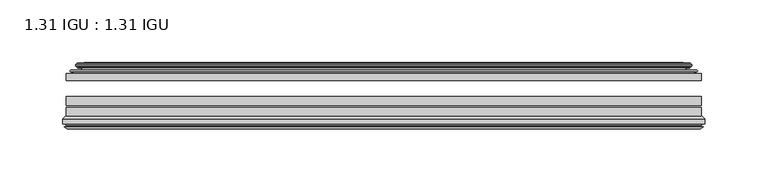
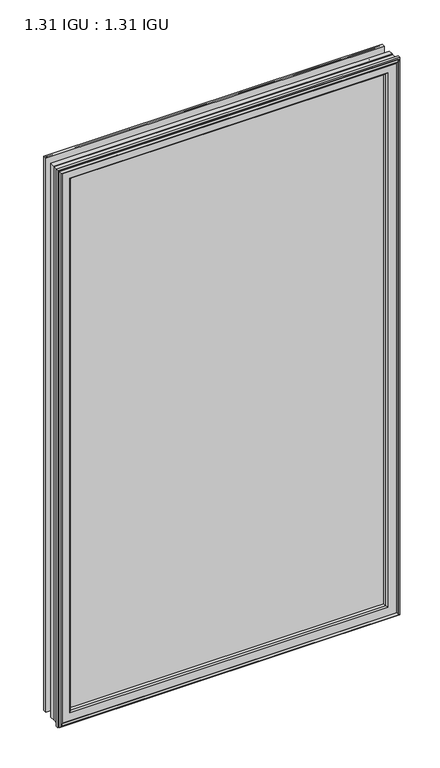
"""IFC4 building model written with IfcOpenShell, lengths in millimetres: plate geometry, 1.31 IGU : 1.31 IGU."""

from ifc_helpers import new_model, si_unit, frame, origin, place, context, project, spatial, polyline, ellipse_curve, outline, extrude, source, transform, mapped, element, save
from ifc_brep_helpers import plane_surface, cylinder_surface, revolved_surface, advanced_brep


def plate_1_31_igu_1_31_igu_6ba28607(model_context):
    return source(origin(), model_context, "Body", "SolidModel", [
        extrude(outline(polyline([(252.4081075, -44.8960875), (252.4081075, -50.4332875), (-252.4130426, -50.4332875), (-252.4130426, -44.8960875), (252.4081075, -44.8960875)])), frame((0.0, 0.0, -14.2875), z_axis=(0.0, 0.0, 1.0), x_axis=(1.0, 0.0, 0.0)), (0.0, 0.0, 1.0), 873.125),
        extrude(outline(polyline([(-252.4130426, -78.7796875), (-252.4130426, -71.7692875), (252.4081075, -71.7692875), (252.4081075, -78.7796875), (-252.4130426, -78.7796875)])), frame((0.0, 0.0, -14.2875), z_axis=(0.0, 0.0, 1.0), x_axis=(1.0, 0.0, 0.0)), (0.0, 0.0, 1.0), 873.125),
        extrude(outline(polyline([(-252.4130426, -70.2452875), (-252.4130426, -63.1332875), (252.4081075, -63.1332875), (252.4081075, -70.2452875), (-252.4130426, -70.2452875)])), frame((0.0, 0.0, -14.2875), z_axis=(0.0, 0.0, 1.0), x_axis=(1.0, 0.0, 0.0)), (0.0, 0.0, 1.0), 873.125),
        advanced_brep(
        [(-243.067718, -37.7373382, 849.4921755), (-238.1260851, -36.3108875, 844.5505426), (-238.1260851, -36.3108875, -0.0005426), (-243.067718, -37.7373382, -4.9421755), (-242.9026127, -36.9605789, 849.3270702), (-242.9026127, -36.9605789, -4.7770702), (-243.4980984, -36.4771203, 849.9225559), (-243.4980984, -36.4771203, -5.3725559), (-244.7627342, -37.766076, 851.1871917), (-244.7627342, -37.766076, -6.6371917), (-244.7519175, -38.8797852, 851.1763749), (-244.7519175, -38.8797852, -6.6263749), (-243.4704323, -40.1361433, 849.8948897), (-243.4704323, -40.1361433, -5.3448897), (-242.8654254, -39.649943, 849.2898829), (-242.8654254, -39.649943, -4.7398829), (-243.4194397, -39.0959287, 849.8438972), (-243.4194397, -39.0959287, -5.2938972), (-241.1336313, -38.7029881, 847.5580887), (-241.1336313, -38.7029881, -3.0080887), (-239.6745582, -40.2107282, 846.0990157), (-239.6745582, -40.2107282, -1.5490157), (-239.9711401, -41.651269, 846.3955976), (-239.9711401, -41.651269, -1.8455976), (-240.7423646, -42.2798875, 847.1668221), (-240.7423646, -42.2798875, -2.6168221), (-249.0463409, -43.4871542, 855.4707984), (-248.7711395, -42.2798875, 855.1955969), (-248.7711395, -42.2798875, -10.6455969), (-249.0463409, -43.4871542, -10.9207984), (-245.5887723, -44.8960875, 852.0132297), (-245.5887723, -44.8960875, -7.4632297), (-234.4911485, -44.023302, 840.9156059), (-234.8464864, -44.8960875, 841.2709439), (-234.8464864, -44.8960875, 3.2790561), (-234.4911485, -44.023302, 3.6343941), (-235.1623465, -43.3681812, 841.586804), (-235.1623465, -43.3681812, 2.963196), (-236.8031371, -40.6686056, 843.2275946), (-236.8031371, -40.6686056, 1.3224054), (238.1260851, -36.3108875, -0.0005426), (243.067718, -37.7373382, -4.9421755), (242.9026127, -36.9605789, -4.7770702), (243.4980984, -36.4771203, -5.3725559), (244.7627342, -37.766076, -6.6371917), (244.7519175, -38.8797852, -6.6263749), (243.4704323, -40.1361433, -5.3448897), (242.8654254, -39.649943, -4.7398829), (243.4194397, -39.0959287, -5.2938972), (241.1336313, -38.7029881, -3.0080887), (239.6745582, -40.2107282, -1.5490157), (239.9711401, -41.651269, -1.8455976), (240.7423646, -42.2798875, -2.6168221), (248.7711395, -42.2798875, -10.6455969), (249.0463409, -43.4871542, -10.9207984), (245.5887723, -44.8960875, -7.4632297), (234.8464864, -44.8960875, 3.2790561), (234.4911485, -44.023302, 3.6343941), (235.1623465, -43.3681812, 2.963196), (236.8031371, -40.6686056, 1.3224054), (238.1260851, -36.3108875, 844.5505426), (243.067718, -37.7373382, 849.4921755), (242.9026127, -36.9605789, 849.3270702), (243.4980984, -36.4771203, 849.9225559), (244.7627342, -37.766076, 851.1871917), (244.7519175, -38.8797852, 851.1763749), (243.4704323, -40.1361433, 849.8948897), (242.8654254, -39.649943, 849.2898829), (243.4194397, -39.0959287, 849.8438972), (241.1336313, -38.7029881, 847.5580887), (239.6745582, -40.2107282, 846.0990157), (239.9711401, -41.651269, 846.3955976), (240.7423646, -42.2798875, 847.1668221), (248.7711395, -42.2798875, 855.1955969), (249.0463409, -43.4871542, 855.4707984), (245.5887723, -44.8960875, 852.0132297), (234.8464864, -44.8960875, 841.2709439), (234.4911485, -44.023302, 840.9156059), (235.1623465, -43.3681812, 841.586804), (236.8031371, -40.6686056, 843.2275946)],
        [
            (0, 1),
            (1, 2),
            (2, 3),
            (3, 0),
            (4, 0),
            (3, 5),
            (5, 4),
            (6, 4, ellipse_curve(frame((-243.2231297, -36.746901, 849.6475871), z_axis=(-0.7071067811865475, 0.0, -0.7071067811865475), x_axis=(-0.7071067811865474, 0.0, 0.7071067811865476)), 0.5447741, 0.3852135)),
            (5, 7, ellipse_curve(frame((-243.2231297, -36.746901, -5.0975871), z_axis=(-0.7071067811865475, 0.0, 0.7071067811865475), x_axis=(0.7071067811865474, 0.0, 0.7071067811865476)), 0.5447741, 0.3852135)),
            (7, 6),
            (8, 6),
            (7, 9),
            (9, 8),
            (10, 8, ellipse_curve(frame((-244.2006812, -38.3175243, 850.6251387), z_axis=(-0.7071067811865475, 0.0, -0.7071067811865475), x_axis=(-0.7071067811865474, 0.0, 0.7071067811865476)), 1.1135518, 0.7874)),
            (9, 11, ellipse_curve(frame((-244.2006812, -38.3175243, -6.0751387), z_axis=(-0.7071067811865475, 0.0, 0.7071067811865475), x_axis=(0.7071067811865474, 0.0, 0.7071067811865476)), 1.1135518, 0.7874)),
            (11, 10),
            (12, 10),
            (11, 13),
            (13, 12),
            (14, 12, ellipse_curve(frame((-243.1968348, -39.8570738, 849.6212922), z_axis=(-0.7071067811865475, 0.0, -0.7071067811865475), x_axis=(-0.7071067811865474, 0.0, 0.7071067811865476)), 0.552694, 0.3908137)),
            (13, 15, ellipse_curve(frame((-243.1968348, -39.8570738, -5.0712922), z_axis=(-0.7071067811865475, 0.0, 0.7071067811865475), x_axis=(0.7071067811865474, 0.0, 0.7071067811865476)), 0.552694, 0.3908137)),
            (15, 14),
            (16, 14),
            (15, 17),
            (17, 16),
            (18, 16),
            (17, 19),
            (19, 18),
            (20, 18, ellipse_curve(frame((-240.9184687, -39.954629, 847.3429261), z_axis=(0.7071067811865475, 0.0, 0.7071067811865475), x_axis=(0.7071067811865474, 0.0, -0.7071067811865476)), 1.7960512, 1.27)),
            (19, 21, ellipse_curve(frame((-240.9184687, -39.954629, -2.7929261), z_axis=(0.7071067811865475, 0.0, -0.7071067811865475), x_axis=(-0.7071067811865474, 0.0, -0.7071067811865476)), 1.7960512, 1.27)),
            (21, 20),
            (22, 20),
            (21, 23),
            (23, 22),
            (24, 22, ellipse_curve(frame((-240.7423646, -41.4924875, 847.1668221), z_axis=(0.7071067811865475, 0.0, 0.7071067811865475), x_axis=(0.7071067811865474, 0.0, -0.7071067811865476)), 1.1135518, 0.7874)),
            (23, 25, ellipse_curve(frame((-240.7423646, -41.4924875, -2.6168221), z_axis=(0.7071067811865475, 0.0, -0.7071067811865475), x_axis=(-0.7071067811865474, 0.0, -0.7071067811865476)), 1.1135518, 0.7874)),
            (25, 24),
            (26, 27, ellipse_curve(frame((-248.7711395, -42.9148875, 855.1955969), z_axis=(-0.7071067811865475, 0.0, -0.7071067811865475), x_axis=(-0.7071067811865474, 0.0, 0.7071067811865476)), 0.8980256, 0.635)),
            (27, 28),
            (28, 29, ellipse_curve(frame((-248.7711395, -42.9148875, -10.6455969), z_axis=(-0.7071067811865475, 0.0, 0.7071067811865475), x_axis=(0.7071067811865474, 0.0, 0.7071067811865476)), 0.8980256, 0.635)),
            (29, 26),
            (30, 26),
            (29, 31),
            (31, 30),
            (32, 33, ellipse_curve(frame((-234.8464864, -44.3873602, 841.2709439), z_axis=(-0.7071067811865475, 0.0, -0.7071067811865475), x_axis=(-0.7071067811865474, 0.0, 0.7071067811865476)), 0.719449, 0.5087273)),
            (33, 34),
            (34, 35, ellipse_curve(frame((-234.8464864, -44.3873602, 3.2790561), z_axis=(-0.7071067811865475, 0.0, 0.7071067811865475), x_axis=(0.7071067811865474, 0.0, 0.7071067811865476)), 0.719449, 0.5087273)),
            (35, 32),
            (36, 32),
            (35, 37),
            (37, 36),
            (38, 36, ellipse_curve(frame((-230.7269723, -38.823959, 837.1514298), z_axis=(0.7071067811865475, 0.0, 0.7071067811865475), x_axis=(0.7071067811865474, 0.0, -0.7071067811865476)), 8.9802561, 6.35)),
            (37, 39, ellipse_curve(frame((-230.7269723, -38.823959, 7.3985702), z_axis=(0.7071067811865475, 0.0, -0.7071067811865475), x_axis=(-0.7071067811865474, 0.0, -0.7071067811865476)), 8.9802561, 6.35)),
            (39, 38),
            (1, 38),
            (39, 2),
            (2, 40),
            (40, 41),
            (41, 3),
            (41, 42),
            (42, 5),
            (42, 43, ellipse_curve(frame((243.2231297, -36.746901, -5.0975871), z_axis=(-0.7071067811865475, 0.0, -0.7071067811865475), x_axis=(-0.7071067811865476, 0.0, 0.7071067811865474)), 0.5447741, 0.3852135)),
            (43, 7),
            (43, 44),
            (44, 9),
            (44, 45, ellipse_curve(frame((244.2006812, -38.3175243, -6.0751387), z_axis=(-0.7071067811865475, 0.0, -0.7071067811865475), x_axis=(-0.7071067811865476, 0.0, 0.7071067811865474)), 1.1135518, 0.7874)),
            (45, 11),
            (45, 46),
            (46, 13),
            (46, 47, ellipse_curve(frame((243.1968348, -39.8570738, -5.0712922), z_axis=(-0.7071067811865475, 0.0, -0.7071067811865475), x_axis=(-0.7071067811865476, 0.0, 0.7071067811865474)), 0.552694, 0.3908137)),
            (47, 15),
            (47, 48),
            (48, 17),
            (48, 49),
            (49, 19),
            (49, 50, ellipse_curve(frame((240.9184687, -39.954629, -2.7929261), z_axis=(0.7071067811865475, 0.0, 0.7071067811865475), x_axis=(0.7071067811865476, 0.0, -0.7071067811865474)), 1.7960512, 1.27)),
            (50, 21),
            (50, 51),
            (51, 23),
            (51, 52, ellipse_curve(frame((240.7423646, -41.4924875, -2.6168221), z_axis=(0.7071067811865475, 0.0, 0.7071067811865475), x_axis=(0.7071067811865476, 0.0, -0.7071067811865474)), 1.1135518, 0.7874)),
            (52, 25),
            (28, 53),
            (53, 54, ellipse_curve(frame((248.7711395, -42.9148875, -10.6455969), z_axis=(-0.7071067811865475, 0.0, -0.7071067811865475), x_axis=(-0.7071067811865476, 0.0, 0.7071067811865474)), 0.8980256, 0.635)),
            (54, 29),
            (54, 55),
            (55, 31),
            (34, 56),
            (56, 57, ellipse_curve(frame((234.8464864, -44.3873602, 3.2790561), z_axis=(-0.7071067811865475, 0.0, -0.7071067811865475), x_axis=(-0.7071067811865476, 0.0, 0.7071067811865474)), 0.719449, 0.5087273)),
            (57, 35),
            (57, 58),
            (58, 37),
            (58, 59, ellipse_curve(frame((230.7269723, -38.823959, 7.3985702), z_axis=(0.7071067811865475, 0.0, 0.7071067811865475), x_axis=(0.7071067811865476, 0.0, -0.7071067811865474)), 8.9802561, 6.35)),
            (59, 39),
            (59, 40),
            (40, 60),
            (60, 61),
            (61, 41),
            (61, 62),
            (62, 42),
            (62, 63, ellipse_curve(frame((243.2231297, -36.746901, 849.6475871), z_axis=(0.7071067811865475, 0.0, -0.7071067811865475), x_axis=(-0.7071067811865474, 0.0, -0.7071067811865476)), 0.5447741, 0.3852135)),
            (63, 43),
            (63, 64),
            (64, 44),
            (64, 65, ellipse_curve(frame((244.2006812, -38.3175243, 850.6251387), z_axis=(0.7071067811865475, 0.0, -0.7071067811865475), x_axis=(-0.7071067811865474, 0.0, -0.7071067811865476)), 1.1135518, 0.7874)),
            (65, 45),
            (65, 66),
            (66, 46),
            (66, 67, ellipse_curve(frame((243.1968348, -39.8570738, 849.6212922), z_axis=(0.7071067811865475, 0.0, -0.7071067811865475), x_axis=(-0.7071067811865474, 0.0, -0.7071067811865476)), 0.552694, 0.3908137)),
            (67, 47),
            (67, 68),
            (68, 48),
            (68, 69),
            (69, 49),
            (69, 70, ellipse_curve(frame((240.9184687, -39.954629, 847.3429261), z_axis=(-0.7071067811865475, 0.0, 0.7071067811865475), x_axis=(0.7071067811865474, 0.0, 0.7071067811865476)), 1.7960512, 1.27)),
            (70, 50),
            (70, 71),
            (71, 51),
            (71, 72, ellipse_curve(frame((240.7423646, -41.4924875, 847.1668221), z_axis=(-0.7071067811865475, 0.0, 0.7071067811865475), x_axis=(0.7071067811865474, 0.0, 0.7071067811865476)), 1.1135518, 0.7874)),
            (72, 52),
            (53, 73),
            (73, 74, ellipse_curve(frame((248.7711395, -42.9148875, 855.1955969), z_axis=(0.7071067811865475, 0.0, -0.7071067811865475), x_axis=(-0.7071067811865474, 0.0, -0.7071067811865476)), 0.8980256, 0.635)),
            (74, 54),
            (74, 75),
            (75, 55),
            (56, 76),
            (76, 77, ellipse_curve(frame((234.8464864, -44.3873602, 841.2709439), z_axis=(0.7071067811865475, 0.0, -0.7071067811865475), x_axis=(-0.7071067811865474, 0.0, -0.7071067811865476)), 0.719449, 0.5087273)),
            (77, 57),
            (77, 78),
            (78, 58),
            (78, 79, ellipse_curve(frame((230.7269723, -38.823959, 837.1514298), z_axis=(-0.7071067811865475, 0.0, 0.7071067811865475), x_axis=(0.7071067811865474, 0.0, 0.7071067811865476)), 8.9802561, 6.35)),
            (79, 59),
            (79, 60),
            (60, 1),
            (0, 61),
            (4, 62),
            (6, 63),
            (8, 64),
            (10, 65),
            (12, 66),
            (14, 67),
            (16, 68),
            (18, 69),
            (20, 70),
            (22, 71),
            (24, 72),
            (27, 73),
            (26, 74),
            (30, 75),
            (33, 76),
            (32, 77),
            (36, 78),
            (38, 79),
        ],
        [
            plane_surface(frame((-238.1260851, -36.3108875, 844.5505426), z_axis=(-0.27733649284928547, 0.9607728502273877, 0.0), x_axis=(0.0, 0.0, -1.0))),
            plane_surface(frame((-243.067718, -37.7373382, 849.4921755), z_axis=(0.9781476007338358, -0.20791169081761768, 0.0), x_axis=(0.0, 0.0, -1.0))),
            cylinder_surface(frame((-243.2231297, -36.746901, 876.3), z_axis=(0.0, 0.0, 1.0), x_axis=(-1.0, 0.0, 0.0)), 0.3852135),
            plane_surface(frame((-243.4980984, -36.4771203, 849.9225559), z_axis=(-0.7138087599382162, 0.7003406701280928, 0.0), x_axis=(0.0, 0.0, -1.0))),
            cylinder_surface(frame((-244.2006812, -38.3175243, 876.3), z_axis=(0.0, 0.0, 1.0), x_axis=(-1.0, 0.0, 0.0)), 0.7874),
            plane_surface(frame((-244.7519175, -38.8797852, 851.1763749), z_axis=(-0.7000714109283732, -0.7140728391423082, 0.0), x_axis=(0.0, 0.0, -1.0))),
            cylinder_surface(frame((-243.1968348, -39.8570738, 876.3), z_axis=(0.0, 0.0, 1.0), x_axis=(-1.0, 0.0, 0.0)), 0.3908137),
            plane_surface(frame((-242.8654254, -39.649943, 849.2898829), z_axis=(0.7071067811861125, 0.7071067811869827, 0.0), x_axis=(0.0, 0.0, -1.0))),
            plane_surface(frame((-243.4194397, -39.0959287, 849.8438972), z_axis=(0.16941940671011485, -0.9855440449974789, 0.0), x_axis=(0.0, 0.0, -1.0))),
            revolved_surface(polyline([(-242.18846870000002, -39.954629, -4.0629260828783345), (-242.18846870000002, -39.954629, 848.6129260828783)]), (-240.9184687, -39.954629, 876.3), (0.0, 0.0, -1.0)),
            plane_surface(frame((-239.6745582, -40.2107282, 846.0990157), z_axis=(-0.9794570432566897, 0.20165292067030197, 0.0), x_axis=(0.0, 0.0, -1.0))),
            revolved_surface(polyline([(-241.5297646, -41.4924875, -3.4042221289824965), (-241.5297646, -41.4924875, 847.9542221289825)]), (-240.7423646, -41.4924875, 876.3), (0.0, 0.0, -1.0)),
            cylinder_surface(frame((-248.7711395, -42.9148875, 876.3), z_axis=(0.0, 0.0, 1.0), x_axis=(-1.0, 0.0, 0.0)), 0.635),
            plane_surface(frame((-249.0463409, -43.4871542, 855.4707984), z_axis=(-0.3773644754275793, -0.9260648209954139, 0.0), x_axis=(0.0, 0.0, -1.0))),
            cylinder_surface(frame((-234.8464864, -44.3873602, 876.3), z_axis=(0.0, 0.0, 1.0), x_axis=(-1.0, 0.0, 0.0)), 0.5087273),
            plane_surface(frame((-234.4911485, -44.023302, 840.9156059), z_axis=(0.698484125849927, 0.7156255486884628, 0.0), x_axis=(0.0, 0.0, -1.0))),
            revolved_surface(polyline([(-237.0769723, -38.823959, 1.0485702148981773), (-237.0769723, -38.823959, 843.5014297851018)]), (-230.7269723, -38.823959, 876.3), (0.0, 0.0, -1.0)),
            plane_surface(frame((-236.8031371, -40.6686056, 843.2275946), z_axis=(0.9568763473517009, 0.2904955350411896, 0.0), x_axis=(0.0, 0.0, -1.0))),
            plane_surface(frame((-238.1260851, -36.3108875, -0.0005426), z_axis=(0.0, 0.9607728502273868, -0.2773364928492885), x_axis=(1.0, 0.0, 0.0))),
            plane_surface(frame((-243.067718, -37.7373382, -4.9421755), z_axis=(0.0, -0.20791169081761454, 0.9781476007338364), x_axis=(1.0, 0.0, 0.0))),
            cylinder_surface(frame((-269.8755426, -36.746901, -5.0975871), z_axis=(-1.0, 0.0, 0.0), x_axis=(0.0, 0.0, -1.0)), 0.3852135),
            plane_surface(frame((-243.4980984, -36.4771203, -5.3725559), z_axis=(0.0, 0.7003406701280904, -0.7138087599382185), x_axis=(1.0, 0.0, 0.0))),
            cylinder_surface(frame((-269.8755426, -38.3175243, -6.0751387), z_axis=(-1.0, 0.0, 0.0), x_axis=(0.0, 0.0, -1.0)), 0.7874),
            plane_surface(frame((-244.7519175, -38.8797852, -6.6263749), z_axis=(0.0, -0.7140728391423105, -0.7000714109283709), x_axis=(1.0, 0.0, 0.0))),
            cylinder_surface(frame((-269.8755426, -39.8570738, -5.0712922), z_axis=(-1.0, 0.0, 0.0), x_axis=(0.0, 0.0, -1.0)), 0.3908137),
            plane_surface(frame((-242.8654254, -39.649943, -4.7398829), z_axis=(0.0, 0.7071067811869849, 0.7071067811861103), x_axis=(1.0, 0.0, 0.0))),
            plane_surface(frame((-243.4194397, -39.0959287, -5.2938972), z_axis=(0.0, -0.9855440449974784, 0.16941940671011801), x_axis=(1.0, 0.0, 0.0))),
            revolved_surface(polyline([(242.18846868287824, -39.954629, -4.0629261), (-242.18846868287824, -39.954629, -4.0629261)]), (-269.8755426, -39.954629, -2.7929261), (1.0, 0.0, 0.0)),
            plane_surface(frame((-239.6745582, -40.2107282, -1.5490157), z_axis=(0.0, 0.20165292067029883, -0.9794570432566904), x_axis=(1.0, 0.0, 0.0))),
            revolved_surface(polyline([(241.52976462898243, -41.4924875, -3.4042220999999997), (-241.5297646289825, -41.4924875, -3.4042220999999997)]), (-269.8755426, -41.4924875, -2.6168221), (1.0, 0.0, 0.0)),
            cylinder_surface(frame((-269.8755426, -42.9148875, -10.6455969), z_axis=(-1.0, 0.0, 0.0), x_axis=(0.0, 0.0, -1.0)), 0.635),
            plane_surface(frame((-249.0463409, -43.4871542, -10.9207984), z_axis=(0.0, -0.9260648209954151, -0.37736447542757634), x_axis=(1.0, 0.0, 0.0))),
            cylinder_surface(frame((-269.8755426, -44.3873602, 3.2790561), z_axis=(-1.0, 0.0, 0.0), x_axis=(0.0, 0.0, -1.0)), 0.5087273),
            plane_surface(frame((-234.4911485, -44.023302, 3.6343941), z_axis=(0.0, 0.7156255486884651, 0.6984841258499247), x_axis=(1.0, 0.0, 0.0))),
            revolved_surface(polyline([(237.07697228510187, -38.823959, 1.0485702000000003), (-237.07697228510187, -38.823959, 1.0485702000000003)]), (-269.8755426, -38.823959, 7.3985702), (1.0, 0.0, 0.0)),
            plane_surface(frame((-236.8031371, -40.6686056, 1.3224054), z_axis=(0.0, 0.29049553504119263, 0.9568763473517), x_axis=(1.0, 0.0, 0.0))),
            plane_surface(frame((238.1260851, -36.3108875, -0.0005426), z_axis=(0.27733649284929157, 0.9607728502273859, 0.0), x_axis=(0.0, 0.0, 1.0))),
            plane_surface(frame((243.067718, -37.7373382, -4.9421755), z_axis=(-0.9781476007338371, -0.2079116908176114, 0.0), x_axis=(0.0, 0.0, 1.0))),
            cylinder_surface(frame((243.2231297, -36.746901, -31.75), z_axis=(0.0, 0.0, -1.0), x_axis=(1.0, 0.0, 0.0)), 0.3852135),
            plane_surface(frame((243.4980984, -36.4771203, -5.3725559), z_axis=(0.7138087599382208, 0.7003406701280882, 0.0), x_axis=(0.0, 0.0, 1.0))),
            cylinder_surface(frame((244.2006812, -38.3175243, -31.75), z_axis=(0.0, 0.0, -1.0), x_axis=(1.0, 0.0, 0.0)), 0.7874),
            plane_surface(frame((244.7519175, -38.8797852, -6.6263749), z_axis=(0.7000714109283687, -0.7140728391423128, 0.0), x_axis=(0.0, 0.0, 1.0))),
            cylinder_surface(frame((243.1968348, -39.8570738, -31.75), z_axis=(0.0, 0.0, -1.0), x_axis=(1.0, 0.0, 0.0)), 0.3908137),
            plane_surface(frame((242.8654254, -39.649943, -4.7398829), z_axis=(-0.707106781186108, 0.7071067811869871, 0.0), x_axis=(0.0, 0.0, 1.0))),
            plane_surface(frame((243.4194397, -39.0959287, -5.2938972), z_axis=(-0.16941940671012118, -0.9855440449974778, 0.0), x_axis=(0.0, 0.0, 1.0))),
            revolved_surface(polyline([(242.18846870000002, -39.954629, 848.6129260828783), (242.18846870000002, -39.954629, -4.062926082878235)]), (240.9184687, -39.954629, -31.75), (0.0, 0.0, 1.0)),
            plane_surface(frame((239.6745582, -40.2107282, -1.5490157), z_axis=(0.979457043256691, 0.2016529206702957, 0.0), x_axis=(0.0, 0.0, 1.0))),
            revolved_surface(polyline([(241.5297646, -41.4924875, 847.9542221289825), (241.5297646, -41.4924875, -3.404222128982486)]), (240.7423646, -41.4924875, -31.75), (0.0, 0.0, 1.0)),
            cylinder_surface(frame((248.7711395, -42.9148875, -31.75), z_axis=(0.0, 0.0, -1.0), x_axis=(1.0, 0.0, 0.0)), 0.635),
            plane_surface(frame((249.0463409, -43.4871542, -10.9207984), z_axis=(0.3773644754275734, -0.9260648209954163, 0.0), x_axis=(0.0, 0.0, 1.0))),
            cylinder_surface(frame((234.8464864, -44.3873602, -31.75), z_axis=(0.0, 0.0, -1.0), x_axis=(1.0, 0.0, 0.0)), 0.5087273),
            plane_surface(frame((234.4911485, -44.023302, 3.6343941), z_axis=(-0.6984841258499224, 0.7156255486884673, 0.0), x_axis=(0.0, 0.0, 1.0))),
            revolved_surface(polyline([(237.0769723, -38.823959, 843.5014297851018), (237.0769723, -38.823959, 1.0485702148981417)]), (230.7269723, -38.823959, -31.75), (0.0, 0.0, 1.0)),
            plane_surface(frame((236.8031371, -40.6686056, 1.3224054), z_axis=(-0.9568763473516991, 0.2904955350411957, 0.0), x_axis=(0.0, 0.0, 1.0))),
            plane_surface(frame((238.1260851, -36.3108875, 844.5505426), z_axis=(0.0, 0.9607728502273868, 0.2773364928492885), x_axis=(-1.0, 0.0, 0.0))),
            plane_surface(frame((243.067718, -37.7373382, 849.4921755), z_axis=(0.0, -0.20791169081761454, -0.9781476007338364), x_axis=(-1.0, 0.0, 0.0))),
            cylinder_surface(frame((269.8755426, -36.746901, 849.6475871), z_axis=(1.0, 0.0, 0.0), x_axis=(0.0, 0.0, 1.0)), 0.3852135),
            plane_surface(frame((243.4980984, -36.4771203, 849.9225559), z_axis=(0.0, 0.7003406701280904, 0.7138087599382185), x_axis=(-1.0, 0.0, 0.0))),
            cylinder_surface(frame((269.8755426, -38.3175243, 850.6251387), z_axis=(1.0, 0.0, 0.0), x_axis=(0.0, 0.0, 1.0)), 0.7874),
            plane_surface(frame((244.7519175, -38.8797852, 851.1763749), z_axis=(0.0, -0.7140728391423106, 0.700071410928371), x_axis=(-1.0, 0.0, 0.0))),
            cylinder_surface(frame((269.8755426, -39.8570738, 849.6212922), z_axis=(1.0, 0.0, 0.0), x_axis=(0.0, 0.0, 1.0)), 0.3908137),
            plane_surface(frame((242.8654254, -39.649943, 849.2898829), z_axis=(0.0, 0.7071067811869849, -0.7071067811861103), x_axis=(-1.0, 0.0, 0.0))),
            plane_surface(frame((243.4194397, -39.0959287, 849.8438972), z_axis=(0.0, -0.9855440449974784, -0.16941940671011801), x_axis=(-1.0, 0.0, 0.0))),
            revolved_surface(polyline([(-242.18846868287824, -39.954629, 848.6129261), (242.18846868287824, -39.954629, 848.6129261)]), (269.8755426, -39.954629, 847.3429261), (-1.0, 0.0, 0.0)),
            plane_surface(frame((239.6745582, -40.2107282, 846.0990157), z_axis=(0.0, 0.20165292067029883, 0.9794570432566904), x_axis=(-1.0, 0.0, 0.0))),
            revolved_surface(polyline([(-241.52976462898243, -41.4924875, 847.9542221), (241.5297646289825, -41.4924875, 847.9542221)]), (269.8755426, -41.4924875, 847.1668221), (-1.0, 0.0, 0.0)),
            plane_surface(frame((240.7423646, -42.2798875, 847.1668221), z_axis=(0.0, 1.0, 0.0), x_axis=(-1.0, 0.0, 0.0))),
            cylinder_surface(frame((269.8755426, -42.9148875, 855.1955969), z_axis=(1.0, 0.0, 0.0), x_axis=(0.0, 0.0, 1.0)), 0.635),
            plane_surface(frame((249.0463409, -43.4871542, 855.4707984), z_axis=(0.0, -0.9260648209954151, 0.37736447542757634), x_axis=(-1.0, 0.0, 0.0))),
            plane_surface(frame((245.5887723, -44.8960875, 852.0132297), z_axis=(0.0, -1.0, 0.0), x_axis=(-1.0, 0.0, 0.0))),
            cylinder_surface(frame((269.8755426, -44.3873602, 841.2709439), z_axis=(1.0, 0.0, 0.0), x_axis=(0.0, 0.0, 1.0)), 0.5087273),
            plane_surface(frame((234.4911485, -44.023302, 840.9156059), z_axis=(0.0, 0.7156255486884651, -0.6984841258499247), x_axis=(-1.0, 0.0, 0.0))),
            revolved_surface(polyline([(-237.07697228510187, -38.823959, 843.5014298), (237.07697228510187, -38.823959, 843.5014298)]), (269.8755426, -38.823959, 837.1514298), (-1.0, 0.0, 0.0)),
            plane_surface(frame((236.8031371, -40.6686056, 843.2275946), z_axis=(0.0, 0.29049553504119263, -0.9568763473517), x_axis=(-1.0, 0.0, 0.0))),
        ],
        [
            (0, [[1, 2, 3, 4]]),
            (1, [[5, -4, 6, 7]]),
            (2, [[8, -7, 9, 10]]),
            (3, [[11, -10, 12, 13]]),
            (4, [[14, -13, 15, 16]]),
            (5, [[17, -16, 18, 19]]),
            (6, [[20, -19, 21, 22]]),
            (7, [[23, -22, 24, 25]]),
            (8, [[26, -25, 27, 28]]),
            (9, [[29, -28, 30, 31]]),
            (10, [[32, -31, 33, 34]]),
            (11, [[35, -34, 36, 37]]),
            (12, [[38, 39, 40, 41]]),
            (13, [[42, -41, 43, 44]]),
            (14, [[45, 46, 47, 48]]),
            (15, [[49, -48, 50, 51]]),
            (16, [[52, -51, 53, 54]]),
            (17, [[55, -54, 56, -2]]),
            (18, [[-3, 57, 58, 59]]),
            (19, [[-6, -59, 60, 61]]),
            (20, [[-9, -61, 62, 63]]),
            (21, [[-12, -63, 64, 65]]),
            (22, [[-15, -65, 66, 67]]),
            (23, [[-18, -67, 68, 69]]),
            (24, [[-21, -69, 70, 71]]),
            (25, [[-24, -71, 72, 73]]),
            (26, [[-27, -73, 74, 75]]),
            (27, [[-30, -75, 76, 77]]),
            (28, [[-33, -77, 78, 79]]),
            (29, [[-36, -79, 80, 81]]),
            (30, [[-40, 82, 83, 84]]),
            (31, [[-43, -84, 85, 86]]),
            (32, [[-47, 87, 88, 89]]),
            (33, [[-50, -89, 90, 91]]),
            (34, [[-53, -91, 92, 93]]),
            (35, [[-56, -93, 94, -57]]),
            (36, [[-58, 95, 96, 97]]),
            (37, [[-60, -97, 98, 99]]),
            (38, [[-62, -99, 100, 101]]),
            (39, [[-64, -101, 102, 103]]),
            (40, [[-66, -103, 104, 105]]),
            (41, [[-68, -105, 106, 107]]),
            (42, [[-70, -107, 108, 109]]),
            (43, [[-72, -109, 110, 111]]),
            (44, [[-74, -111, 112, 113]]),
            (45, [[-76, -113, 114, 115]]),
            (46, [[-78, -115, 116, 117]]),
            (47, [[-80, -117, 118, 119]]),
            (48, [[-83, 120, 121, 122]]),
            (49, [[-85, -122, 123, 124]]),
            (50, [[-88, 125, 126, 127]]),
            (51, [[-90, -127, 128, 129]]),
            (52, [[-92, -129, 130, 131]]),
            (53, [[-94, -131, 132, -95]]),
            (54, [[-96, 133, -1, 134]]),
            (55, [[-98, -134, -5, 135]]),
            (56, [[-100, -135, -8, 136]]),
            (57, [[-102, -136, -11, 137]]),
            (58, [[-104, -137, -14, 138]]),
            (59, [[-106, -138, -17, 139]]),
            (60, [[-108, -139, -20, 140]]),
            (61, [[-110, -140, -23, 141]]),
            (62, [[-112, -141, -26, 142]]),
            (63, [[-114, -142, -29, 143]]),
            (64, [[-116, -143, -32, 144]]),
            (65, [[-118, -144, -35, 145]]),
            (66, [[146, -120, -82, -39], [-81, -119, -145, -37]]),
            (67, [[-121, -146, -38, 147]]),
            (68, [[-123, -147, -42, 148]]),
            (69, [[-86, -124, -148, -44], [149, -125, -87, -46]]),
            (70, [[-126, -149, -45, 150]]),
            (71, [[-128, -150, -49, 151]]),
            (72, [[-130, -151, -52, 152]]),
            (73, [[-132, -152, -55, -133]]),
        ],
    ),
        advanced_brep(
        [(-235.4379919, -83.3389875, 841.8624494), (-237.2130581, -85.1296875, 843.6375155), (-237.2130581, -85.1296875, 0.9124845), (-235.4379919, -83.3389875, 2.6875506), (-234.4147827, -78.7796875, 840.8392401), (-234.4147827, -78.7796875, 3.7107599), (-254.9954917, -80.9740477, 861.4199491), (-252.8011314, -78.7796875, 859.2255889), (-252.8011314, -78.7796875, -14.6755889), (-254.9954917, -80.9740477, -16.8699491), (-254.9954917, -85.1296875, 861.4199491), (-254.9954917, -85.1296875, -16.8699491), (-252.4704315, -86.3747112, 858.8948889), (-253.2216585, -85.1296875, 859.6461159), (-253.2216585, -85.1296875, -15.0961159), (-252.4704315, -86.3747112, -14.3448889), (-252.1609024, -87.6502863, 858.5853598), (-252.1609024, -87.6502863, -14.0353598), (-253.1790158, -87.2076396, 859.6034732), (-253.1790158, -87.2076396, -15.0534732), (-251.4920264, -88.8840626, 857.9164838), (-253.9737258, -87.2076396, 860.3981832), (-253.9737258, -87.2076396, -15.8481832), (-251.4920264, -88.8840626, -13.3664838), (-249.340201, -86.9401656, 855.7646584), (-249.340201, -86.9401656, -11.2146584), (-251.0475552, -87.5528811, 857.4720126), (-250.121774, -86.9401656, 856.5462314), (-250.121774, -86.9401656, -11.9962314), (-251.0475552, -87.5528811, -12.9220126), (-250.9642298, -86.2429356, 857.3886873), (-250.9642298, -86.2429356, -12.8386873), (-250.3659918, -85.1296875, 856.7904492), (-250.3659918, -85.1296875, -12.2404492), (237.2130581, -85.1296875, 0.9124845), (235.4379919, -83.3389875, 2.6875506), (234.4147827, -78.7796875, 3.7107599), (252.8011314, -78.7796875, -14.6755889), (254.9954917, -80.9740477, -16.8699491), (254.9954917, -85.1296875, -16.8699491), (253.2216585, -85.1296875, -15.0961159), (252.4704315, -86.3747112, -14.3448889), (252.1609024, -87.6502863, -14.0353598), (253.1790158, -87.2076396, -15.0534732), (253.9737258, -87.2076396, -15.8481832), (251.4920264, -88.8840626, -13.3664838), (249.340201, -86.9401656, -11.2146584), (250.121774, -86.9401656, -11.9962314), (251.0475552, -87.5528811, -12.9220126), (250.9642298, -86.2429356, -12.8386873), (250.3659918, -85.1296875, -12.2404492), (237.2130581, -85.1296875, 843.6375155), (235.4379919, -83.3389875, 841.8624494), (234.4147827, -78.7796875, 840.8392401), (252.8011314, -78.7796875, 859.2255889), (254.9954917, -80.9740477, 861.4199491), (254.9954917, -85.1296875, 861.4199491), (253.2216585, -85.1296875, 859.6461159), (252.4704315, -86.3747112, 858.8948889), (252.1609024, -87.6502863, 858.5853598), (253.1790158, -87.2076396, 859.6034732), (253.9737258, -87.2076396, 860.3981832), (251.4920264, -88.8840626, 857.9164838), (249.340201, -86.9401656, 855.7646584), (250.121774, -86.9401656, 856.5462314), (251.0475552, -87.5528811, 857.4720126), (250.9642298, -86.2429356, 857.3886873), (250.3659918, -85.1296875, 856.7904492)],
        [
            (0, 1, ellipse_curve(frame((-237.4644931, -83.1053133, 843.8889505), z_axis=(-0.7071067811865475, 0.0, -0.7071067811865475), x_axis=(-0.7071067811865474, 0.0, 0.7071067811865476)), 2.8848953, 2.039929)),
            (1, 2),
            (2, 3, ellipse_curve(frame((-237.4644931, -83.1053133, 0.6610495), z_axis=(-0.7071067811865475, 0.0, 0.7071067811865475), x_axis=(0.7071067811865474, 0.0, 0.7071067811865476)), 2.8848953, 2.039929)),
            (3, 0),
            (4, 0),
            (3, 5),
            (5, 4),
            (6, 7),
            (7, 8),
            (8, 9),
            (9, 6),
            (10, 6),
            (9, 11),
            (11, 10),
            (12, 13),
            (13, 14),
            (14, 15),
            (15, 12),
            (16, 12),
            (15, 17),
            (17, 16),
            (18, 16),
            (17, 19),
            (19, 18),
            (20, 21),
            (21, 22),
            (22, 23),
            (23, 20),
            (24, 20),
            (23, 25),
            (25, 24),
            (26, 27),
            (27, 28),
            (28, 29),
            (29, 26),
            (30, 26),
            (29, 31),
            (31, 30),
            (32, 30),
            (31, 33),
            (33, 32),
            (2, 34),
            (34, 35, ellipse_curve(frame((237.4644931, -83.1053133, 0.6610495), z_axis=(-0.7071067811865475, 0.0, -0.7071067811865475), x_axis=(-0.7071067811865476, 0.0, 0.7071067811865474)), 2.8848953, 2.039929)),
            (35, 3),
            (35, 36),
            (36, 5),
            (8, 37),
            (37, 38),
            (38, 9),
            (38, 39),
            (39, 11),
            (14, 40),
            (40, 41),
            (41, 15),
            (41, 42),
            (42, 17),
            (42, 43),
            (43, 19),
            (22, 44),
            (44, 45),
            (45, 23),
            (45, 46),
            (46, 25),
            (28, 47),
            (47, 48),
            (48, 29),
            (48, 49),
            (49, 31),
            (49, 50),
            (50, 33),
            (34, 51),
            (51, 52, ellipse_curve(frame((237.4644931, -83.1053133, 843.8889505), z_axis=(0.7071067811865475, 0.0, -0.7071067811865475), x_axis=(-0.7071067811865474, 0.0, -0.7071067811865476)), 2.8848953, 2.039929)),
            (52, 35),
            (52, 53),
            (53, 36),
            (37, 54),
            (54, 55),
            (55, 38),
            (55, 56),
            (56, 39),
            (40, 57),
            (57, 58),
            (58, 41),
            (58, 59),
            (59, 42),
            (59, 60),
            (60, 43),
            (44, 61),
            (61, 62),
            (62, 45),
            (62, 63),
            (63, 46),
            (47, 64),
            (64, 65),
            (65, 48),
            (65, 66),
            (66, 49),
            (66, 67),
            (67, 50),
            (51, 1),
            (0, 52),
            (4, 53),
            (7, 54),
            (6, 55),
            (10, 56),
            (13, 57),
            (12, 58),
            (16, 59),
            (18, 60),
            (21, 61),
            (20, 62),
            (24, 63),
            (27, 64),
            (26, 65),
            (30, 66),
            (32, 67),
        ],
        [
            cylinder_surface(frame((-237.4644931, -83.1053133, 876.3), z_axis=(0.0, 0.0, 1.0), x_axis=(-1.0, 0.0, 0.0)), 2.039929),
            plane_surface(frame((-235.4379919, -83.3389875, 841.8624494), z_axis=(0.9757302952562701, -0.21897577701451845, 0.0), x_axis=(0.0, 0.0, -1.0))),
            plane_surface(frame((-252.8011314, -78.7796875, 859.2255889), z_axis=(-0.7071067811871723, 0.7071067811859227, 0.0), x_axis=(0.0, 0.0, -1.0))),
            plane_surface(frame((-254.9954917, -80.9740477, 861.4199491), z_axis=(-1.0, 0.0, 0.0), x_axis=(0.0, 0.0, -1.0))),
            plane_surface(frame((-253.2216585, -85.1296875, 859.6461159), z_axis=(-0.8562121193263807, -0.516624434883434, 0.0), x_axis=(0.0, 0.0, -1.0))),
            plane_surface(frame((-252.4704315, -86.3747112, 858.8948889), z_axis=(-0.9717979666139347, -0.23581499546259127, 0.0), x_axis=(0.0, 0.0, -1.0))),
            plane_surface(frame((-252.1609024, -87.6502863, 858.5853598), z_axis=(0.3987175451776161, 0.9170737806564616, 0.0), x_axis=(0.0, 0.0, -1.0))),
            plane_surface(frame((-253.9737258, -87.2076396, 860.3981832), z_axis=(-0.5597655002239059, -0.8286510633306884, 0.0), x_axis=(0.0, 0.0, -1.0))),
            plane_surface(frame((-251.4920264, -88.8840626, 857.9164838), z_axis=(0.6703456526761111, -0.7420489916024673, 0.0), x_axis=(0.0, 0.0, -1.0))),
            plane_surface(frame((-250.121774, -86.9401656, 856.5462314), z_axis=(-0.5519083205498945, 0.8339047941508642, 0.0), x_axis=(0.0, 0.0, -1.0))),
            plane_surface(frame((-251.0475552, -87.5528811, 857.4720126), z_axis=(0.9979830161114805, -0.06348148984572209, 0.0), x_axis=(0.0, 0.0, -1.0))),
            plane_surface(frame((-250.9642298, -86.2429356, 857.3886873), z_axis=(0.8808682216207324, -0.47336157019632297, 0.0), x_axis=(0.0, 0.0, -1.0))),
            cylinder_surface(frame((-269.8755426, -83.1053133, 0.6610495), z_axis=(-1.0, 0.0, 0.0), x_axis=(0.0, 0.0, -1.0)), 2.039929),
            plane_surface(frame((-235.4379919, -83.3389875, 2.6875506), z_axis=(0.0, -0.21897577701451534, 0.9757302952562708), x_axis=(1.0, 0.0, 0.0))),
            plane_surface(frame((-252.8011314, -78.7796875, -14.6755889), z_axis=(0.0, 0.7071067811859205, -0.7071067811871745), x_axis=(1.0, 0.0, 0.0))),
            plane_surface(frame((-254.9954917, -80.9740477, -16.8699491), z_axis=(0.0, 0.0, -1.0), x_axis=(1.0, 0.0, 0.0))),
            plane_surface(frame((-253.2216585, -85.1296875, -15.0961159), z_axis=(0.0, -0.5166244348834368, -0.8562121193263791), x_axis=(1.0, 0.0, 0.0))),
            plane_surface(frame((-252.4704315, -86.3747112, -14.3448889), z_axis=(0.0, -0.23581499546259438, -0.9717979666139339), x_axis=(1.0, 0.0, 0.0))),
            plane_surface(frame((-252.1609024, -87.6502863, -14.0353598), z_axis=(0.0, 0.9170737806564628, 0.39871754517761315), x_axis=(1.0, 0.0, 0.0))),
            plane_surface(frame((-253.9737258, -87.2076396, -15.8481832), z_axis=(0.0, -0.8286510633306902, -0.5597655002239033), x_axis=(1.0, 0.0, 0.0))),
            plane_surface(frame((-251.4920264, -88.8840626, -13.3664838), z_axis=(0.0, -0.7420489916024652, 0.6703456526761135), x_axis=(1.0, 0.0, 0.0))),
            plane_surface(frame((-250.121774, -86.9401656, -11.9962314), z_axis=(0.0, 0.8339047941508624, -0.5519083205498971), x_axis=(1.0, 0.0, 0.0))),
            plane_surface(frame((-251.0475552, -87.5528811, -12.9220126), z_axis=(0.0, -0.0634814898457189, 0.9979830161114808), x_axis=(1.0, 0.0, 0.0))),
            plane_surface(frame((-250.9642298, -86.2429356, -12.8386873), z_axis=(0.0, -0.47336157019632014, 0.880868221620734), x_axis=(1.0, 0.0, 0.0))),
            cylinder_surface(frame((237.4644931, -83.1053133, -31.75), z_axis=(0.0, 0.0, -1.0), x_axis=(1.0, 0.0, 0.0)), 2.039929),
            plane_surface(frame((235.4379919, -83.3389875, 2.6875506), z_axis=(-0.9757302952562714, -0.21897577701451224, 0.0), x_axis=(0.0, 0.0, 1.0))),
            plane_surface(frame((252.8011314, -78.7796875, -14.6755889), z_axis=(0.7071067811871767, 0.7071067811859183, 0.0), x_axis=(0.0, 0.0, 1.0))),
            plane_surface(frame((254.9954917, -80.9740477, -16.8699491), z_axis=(1.0, 0.0, 0.0), x_axis=(0.0, 0.0, 1.0))),
            plane_surface(frame((253.2216585, -85.1296875, -15.0961159), z_axis=(0.8562121193263774, -0.5166244348834396, 0.0), x_axis=(0.0, 0.0, 1.0))),
            plane_surface(frame((252.4704315, -86.3747112, -14.3448889), z_axis=(0.9717979666139333, -0.23581499546259752, 0.0), x_axis=(0.0, 0.0, 1.0))),
            plane_surface(frame((252.1609024, -87.6502863, -14.0353598), z_axis=(-0.3987175451776102, 0.917073780656464, 0.0), x_axis=(0.0, 0.0, 1.0))),
            plane_surface(frame((253.9737258, -87.2076396, -15.8481832), z_axis=(0.5597655002239006, -0.8286510633306919, 0.0), x_axis=(0.0, 0.0, 1.0))),
            plane_surface(frame((251.4920264, -88.8840626, -13.3664838), z_axis=(-0.6703456526761158, -0.7420489916024631, 0.0), x_axis=(0.0, 0.0, 1.0))),
            plane_surface(frame((250.121774, -86.9401656, -11.9962314), z_axis=(0.5519083205498998, 0.8339047941508606, 0.0), x_axis=(0.0, 0.0, 1.0))),
            plane_surface(frame((251.0475552, -87.5528811, -12.9220126), z_axis=(-0.997983016111481, -0.06348148984571571, 0.0), x_axis=(0.0, 0.0, 1.0))),
            plane_surface(frame((250.9642298, -86.2429356, -12.8386873), z_axis=(-0.8808682216207355, -0.4733615701963173, 0.0), x_axis=(0.0, 0.0, 1.0))),
            cylinder_surface(frame((269.8755426, -83.1053133, 843.8889505), z_axis=(1.0, 0.0, 0.0), x_axis=(0.0, 0.0, 1.0)), 2.039929),
            plane_surface(frame((235.4379919, -83.3389875, 841.8624494), z_axis=(0.0, -0.21897577701451534, -0.9757302952562708), x_axis=(-1.0, 0.0, 0.0))),
            plane_surface(frame((234.4147827, -78.7796875, 840.8392401), z_axis=(0.0, 1.0, 0.0), x_axis=(-1.0, 0.0, 0.0))),
            plane_surface(frame((252.8011314, -78.7796875, 859.2255889), z_axis=(0.0, 0.7071067811859205, 0.7071067811871745), x_axis=(-1.0, 0.0, 0.0))),
            plane_surface(frame((254.9954917, -80.9740477, 861.4199491), z_axis=(0.0, 0.0, 1.0), x_axis=(-1.0, 0.0, 0.0))),
            plane_surface(frame((254.9954917, -85.1296875, 861.4199491), z_axis=(0.0, -1.0, 0.0), x_axis=(-1.0, 0.0, 0.0))),
            plane_surface(frame((253.2216585, -85.1296875, 859.6461159), z_axis=(0.0, -0.5166244348834368, 0.8562121193263791), x_axis=(-1.0, 0.0, 0.0))),
            plane_surface(frame((252.4704315, -86.3747112, 858.8948889), z_axis=(0.0, -0.2358149954625944, 0.971797966613934), x_axis=(-1.0, 0.0, 0.0))),
            plane_surface(frame((252.1609024, -87.6502863, 858.5853598), z_axis=(0.0, 0.9170737806564628, -0.39871754517761315), x_axis=(-1.0, 0.0, 0.0))),
            plane_surface(frame((253.1790158, -87.2076396, 859.6034732), z_axis=(0.0, 1.0, 0.0), x_axis=(-1.0, 0.0, 0.0))),
            plane_surface(frame((253.9737258, -87.2076396, 860.3981832), z_axis=(0.0, -0.8286510633306902, 0.5597655002239033), x_axis=(-1.0, 0.0, 0.0))),
            plane_surface(frame((251.4920264, -88.8840626, 857.9164838), z_axis=(0.0, -0.7420489916024652, -0.6703456526761135), x_axis=(-1.0, 0.0, 0.0))),
            plane_surface(frame((249.340201, -86.9401656, 855.7646584), z_axis=(0.0, 1.0, 0.0), x_axis=(-1.0, 0.0, 0.0))),
            plane_surface(frame((250.121774, -86.9401656, 856.5462314), z_axis=(0.0, 0.8339047941508624, 0.5519083205498971), x_axis=(-1.0, 0.0, 0.0))),
            plane_surface(frame((251.0475552, -87.5528811, 857.4720126), z_axis=(0.0, -0.0634814898457189, -0.9979830161114808), x_axis=(-1.0, 0.0, 0.0))),
            plane_surface(frame((250.9642298, -86.2429356, 857.3886873), z_axis=(0.0, -0.47336157019632014, -0.880868221620734), x_axis=(-1.0, 0.0, 0.0))),
            plane_surface(frame((250.3659918, -85.1296875, 856.7904492), z_axis=(0.0, -1.0, 0.0), x_axis=(-1.0, 0.0, 0.0))),
        ],
        [
            (0, [[1, 2, 3, 4]]),
            (1, [[5, -4, 6, 7]]),
            (2, [[8, 9, 10, 11]]),
            (3, [[12, -11, 13, 14]]),
            (4, [[15, 16, 17, 18]]),
            (5, [[19, -18, 20, 21]]),
            (6, [[22, -21, 23, 24]]),
            (7, [[25, 26, 27, 28]]),
            (8, [[29, -28, 30, 31]]),
            (9, [[32, 33, 34, 35]]),
            (10, [[36, -35, 37, 38]]),
            (11, [[39, -38, 40, 41]]),
            (12, [[-3, 42, 43, 44]]),
            (13, [[-6, -44, 45, 46]]),
            (14, [[-10, 47, 48, 49]]),
            (15, [[-13, -49, 50, 51]]),
            (16, [[-17, 52, 53, 54]]),
            (17, [[-20, -54, 55, 56]]),
            (18, [[-23, -56, 57, 58]]),
            (19, [[-27, 59, 60, 61]]),
            (20, [[-30, -61, 62, 63]]),
            (21, [[-34, 64, 65, 66]]),
            (22, [[-37, -66, 67, 68]]),
            (23, [[-40, -68, 69, 70]]),
            (24, [[-43, 71, 72, 73]]),
            (25, [[-45, -73, 74, 75]]),
            (26, [[-48, 76, 77, 78]]),
            (27, [[-50, -78, 79, 80]]),
            (28, [[-53, 81, 82, 83]]),
            (29, [[-55, -83, 84, 85]]),
            (30, [[-57, -85, 86, 87]]),
            (31, [[-60, 88, 89, 90]]),
            (32, [[-62, -90, 91, 92]]),
            (33, [[-65, 93, 94, 95]]),
            (34, [[-67, -95, 96, 97]]),
            (35, [[-69, -97, 98, 99]]),
            (36, [[-72, 100, -1, 101]]),
            (37, [[-74, -101, -5, 102]]),
            (38, [[103, -76, -47, -9], [-46, -75, -102, -7]]),
            (39, [[-77, -103, -8, 104]]),
            (40, [[-79, -104, -12, 105]]),
            (41, [[-51, -80, -105, -14], [106, -81, -52, -16]]),
            (42, [[-82, -106, -15, 107]]),
            (43, [[-84, -107, -19, 108]]),
            (44, [[-86, -108, -22, 109]]),
            (45, [[110, -88, -59, -26], [-58, -87, -109, -24]]),
            (46, [[-89, -110, -25, 111]]),
            (47, [[-91, -111, -29, 112]]),
            (48, [[113, -93, -64, -33], [-63, -92, -112, -31]]),
            (49, [[-94, -113, -32, 114]]),
            (50, [[-96, -114, -36, 115]]),
            (51, [[-98, -115, -39, 116]]),
            (52, [[-70, -99, -116, -41], [-100, -71, -42, -2]]),
        ],
    ),
    ])


if __name__ == "__main__":
    model = new_model("IFC4")
    model_context = context("Model", 3, world=origin())
    ifc_project = project(units=[si_unit("LENGTHUNIT", "METRE", prefix="MILLI")], contexts=[model_context])
    site = spatial("IfcSite", under=ifc_project)
    building = spatial("IfcBuilding", under=site)
    placement = place(None, origin())
    plate_1_31_igu_1_31_igu_shape = plate_1_31_igu_1_31_igu_6ba28607(model_context)
    element("IfcPlate", 1, ObjectType="1.31 IGU : 1.31 IGU", at=placement, inside=building, context=model_context, shape_type="MappedRepresentation", body=[
        mapped(plate_1_31_igu_1_31_igu_shape, transform((0.0, 0.0, 0.0), x_axis=(1.0, 0.0, 0.0), y_axis=(0.0, 1.0, 0.0), z_axis=(0.0, 0.0, 1.0))),
    ])
    save(model, "model.ifc")
